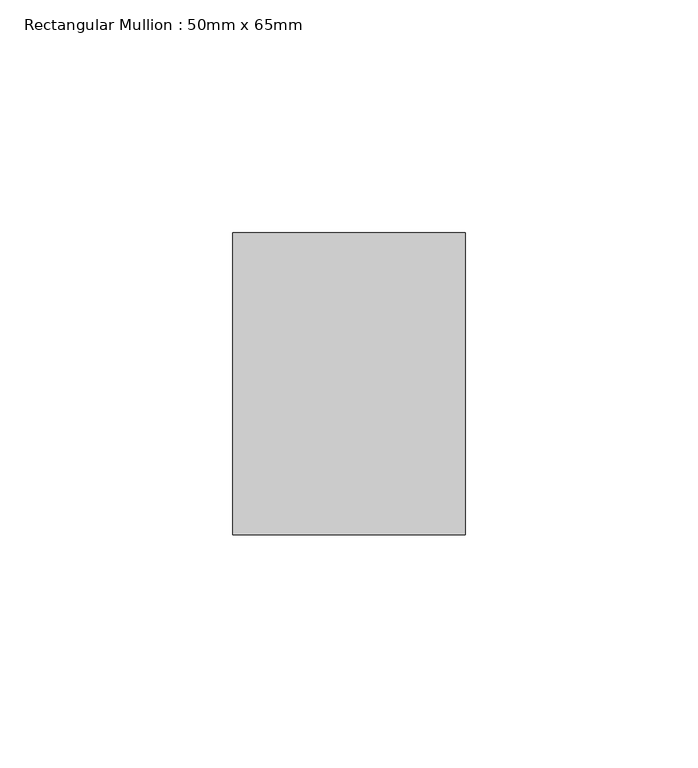
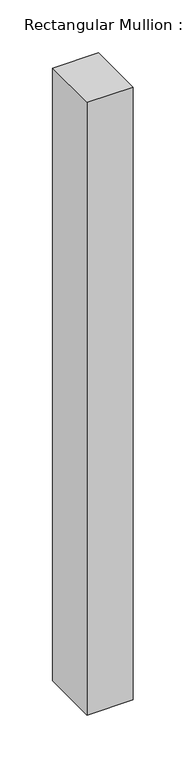
"""IFC4 building model written with IfcOpenShell, lengths in millimetres: member geometry, Rectangular Mullion : 50mm x 65mm."""

import ifcopenshell
import ifcopenshell.guid

model = None  # the IFC model being written
_history = None  # IfcOwnerHistory: only IFC2X3 demands one
_inside = {}  # id of a spatial element -> (the spatial element, [elements in it])
_under = {}  # id of a project, library or spatial element -> (it, [spatial elements below it])
_declared = {}  # id of a project -> (the project, [libraries it declares])
_typed = {}  # id of a type object -> (the type object, [elements of that type])
_made_of = {}  # id of a material, layer set ... -> (it, [elements and type objects made of it])


def new_model(schema):
    """Start an empty IFC model of exactly this schema.

    Asked for "IFC4X3", IfcOpenShell would pick the latest addendum, in which some entities
    have other attributes; the version numbers below select the first issue.
    IFC2X3 requires an IfcOwnerHistory on every rooted entity: one is made here for all.
    """
    global model, _history
    if schema == "IFC4X3":
        model = ifcopenshell.file(schema_version=(4, 3, 0, 0))
    else:
        model = ifcopenshell.file(schema=schema)
    _inside.clear()
    _under.clear()
    _declared.clear()
    _typed.clear()
    _made_of.clear()
    _history = None
    if model.schema == "IFC2X3":
        org = make("IfcOrganization", Name="unknown")
        user = make(
            "IfcPersonAndOrganization",
            ThePerson=make("IfcPerson", FamilyName="unknown"),
            TheOrganization=org,
        )
        app = make(
            "IfcApplication",
            ApplicationDeveloper=org,
            Version="unknown",
            ApplicationFullName="unknown",
            ApplicationIdentifier="unknown",
        )
        _history = make(
            "IfcOwnerHistory",
            OwningUser=user,
            OwningApplication=app,
            ChangeAction="ADDED",
            CreationDate=0,
        )
    return model


def make(cls, **values):
    """One entity of the class cls with the attributes given. An attribute that is None is left unset."""
    return model.create_entity(
        cls, **{name: value for name, value in values.items() if value is not None}
    )


def rooted(cls, **values):
    """An entity with a GlobalId (a new one), such as an element, a storey or a relation."""
    return make(cls, GlobalId=ifcopenshell.guid.new(), OwnerHistory=_history, **values)


def si_unit(unit_type, name, prefix=None):
    """IfcSIUnit, for example si_unit("LENGTHUNIT", "METRE", prefix="MILLI")."""
    return make("IfcSIUnit", UnitType=unit_type, Prefix=prefix, Name=name)


def assignment(units):
    """IfcUnitAssignment: the units of a project."""
    return None if units is None else make("IfcUnitAssignment", Units=units)


def point(xyz):
    """IfcCartesianPoint."""
    return None if xyz is None else make("IfcCartesianPoint", Coordinates=xyz)


def direction(xyz):
    """IfcDirection."""
    return None if xyz is None else make("IfcDirection", DirectionRatios=xyz)


def frame(location, z_axis=None, x_axis=None):
    """IfcAxis2Placement3D, a coordinate frame: its origin and axes. An axis left out is left unset."""
    return make(
        "IfcAxis2Placement3D",
        Location=point(location),
        Axis=direction(z_axis),
        RefDirection=direction(x_axis),
    )


def origin():
    """The frame at (0, 0, 0) with its axes left unset."""
    return frame((0.0, 0.0, 0.0))


def place(relative_to, where):
    """IfcLocalPlacement: puts the frame where relative to a parent placement (None: the world)."""
    return make(
        "IfcLocalPlacement", PlacementRelTo=relative_to, RelativePlacement=where
    )


def context(
    kind, dimensions, precision=None, world=None, true_north=None, identifier=None
):
    """IfcGeometricRepresentationContext, for example the 3D "Model" context."""
    return make(
        "IfcGeometricRepresentationContext",
        ContextIdentifier=identifier,
        ContextType=kind,
        CoordinateSpaceDimension=dimensions,
        Precision=precision,
        WorldCoordinateSystem=world,
        TrueNorth=true_north,
    )


def project(units=None, contexts=None):
    """IfcProject with its units and contexts."""
    return rooted(
        "IfcProject",
        Name="project",
        RepresentationContexts=contexts,
        UnitsInContext=assignment(units),
    )


def spatial(cls, under=None, at=None, **own):
    """A site, building, storey or space (cls), placed at a placement, below another one or the project."""
    s = rooted(cls, ObjectPlacement=at, **own)
    if under is not None:
        _under.setdefault(under.id(), (under, []))[1].append(s)
    return s


def polyline(points):
    """IfcPolyline through the points."""
    return make("IfcPolyline", Points=[point(p) for p in points])


def outline(outer, holes=None, kind="AREA"):
    """IfcArbitraryClosedProfileDef: a profile drawn as a closed curve; with holes, ...WithVoids."""
    if holes is None:
        return make("IfcArbitraryClosedProfileDef", ProfileType=kind, OuterCurve=outer)
    return make(
        "IfcArbitraryProfileDefWithVoids",
        ProfileType=kind,
        OuterCurve=outer,
        InnerCurves=holes,
    )


def extrude(swept, where, along, depth):
    """IfcExtrudedAreaSolid: the profile swept, set in the frame where, extruded along a direction by depth."""
    return make(
        "IfcExtrudedAreaSolid",
        SweptArea=swept,
        Position=where,
        ExtrudedDirection=direction(along),
        Depth=depth,
    )


def shape(context_of_items, identifier, shape_type, items):
    """IfcShapeRepresentation: the items that make up one representation, for example the "Body"."""
    return make(
        "IfcShapeRepresentation",
        ContextOfItems=context_of_items,
        RepresentationIdentifier=identifier,
        RepresentationType=shape_type,
        Items=items,
    )


def source(mapping_origin, context_of_items, identifier, shape_type, items):
    """IfcRepresentationMap: a shape defined once, which mapped items show again and again."""
    return make(
        "IfcRepresentationMap",
        MappingOrigin=mapping_origin,
        MappedRepresentation=shape(context_of_items, identifier, shape_type, items),
    )


def transform(
    local_origin,
    x_axis=None,
    y_axis=None,
    z_axis=None,
    scale=None,
    scale2=None,
    scale3=None,
    uniform=True,
):
    """IfcCartesianTransformationOperator3D, or its non-uniform kind. x_axis, y_axis, z_axis: its Axis1, 2, 3."""
    if uniform:
        return make(
            "IfcCartesianTransformationOperator3D",
            Axis1=direction(x_axis),
            Axis2=direction(y_axis),
            LocalOrigin=point(local_origin),
            Scale=scale,
            Axis3=direction(z_axis),
        )
    return make(
        "IfcCartesianTransformationOperator3DnonUniform",
        Axis1=direction(x_axis),
        Axis2=direction(y_axis),
        LocalOrigin=point(local_origin),
        Scale=scale,
        Axis3=direction(z_axis),
        Scale2=scale2,
        Scale3=scale3,
    )


def mapped(mapping_source, mapping_target):
    """IfcMappedItem: shows the shape of a source again, moved by a transform."""
    return make(
        "IfcMappedItem", MappingSource=mapping_source, MappingTarget=mapping_target
    )


def made_of(thing, what):
    """Note that an element or type object is made of a material, layer set ...; save() writes the relation."""
    if what is not None:
        _made_of.setdefault(what.id(), (what, []))[1].append(thing)
    return thing


def element(
    cls,
    number,
    at=None,
    inside=None,
    cuts=None,
    type_object=None,
    material=None,
    context=None,
    identifier="Body",
    shape_type=None,
    held_by="IfcProductDefinitionShape",
    body=None,
    shapes=None,
    **own,
):
    """One element of the class cls, such as IfcWall. Its Tag is "e" and its number.

    at: its placement. inside: the storey or other place that contains it. cuts: it is an
    opening in that element (IfcRelVoidsElement). A single representation is given by context,
    identifier, shape_type and body (its items); several are given by shapes. held_by: the class
    of the entity that holds the representations. save() writes the other relations.
    """
    e = rooted(cls, Tag="e%d" % number, ObjectPlacement=at, **own)
    if body is not None:
        shapes = [shape(context, identifier, shape_type, body)]
    if shapes is not None:
        e.Representation = make(held_by, Representations=shapes)
    if inside is not None:
        _inside.setdefault(inside.id(), (inside, []))[1].append(e)
    if cuts is not None:
        rooted(
            "IfcRelVoidsElement", RelatingBuildingElement=cuts, RelatedOpeningElement=e
        )
    if type_object is not None:
        _typed.setdefault(type_object.id(), (type_object, []))[1].append(e)
    return made_of(e, material)


def aggregate(whole, parts):
    """IfcRelAggregates: a whole, such as a stair, and the parts it consists of."""
    return rooted("IfcRelAggregates", RelatingObject=whole, RelatedObjects=parts)


def save(model, path):
    """Write the relations noted so far, then the file.

    IfcRelAggregates (storeys below a building ...), IfcRelContainedInSpatialStructure (elements
    in a storey), IfcRelDefinesByType, IfcRelAssociatesMaterial and IfcRelDeclares: one each for
    every whole, place, type object, material and project.
    """
    for whole, parts in _under.values():
        aggregate(whole, parts)
    for where, things in _inside.values():
        rooted(
            "IfcRelContainedInSpatialStructure",
            RelatedElements=things,
            RelatingStructure=where,
        )
    for kind, things in _typed.values():
        rooted("IfcRelDefinesByType", RelatedObjects=things, RelatingType=kind)
    for what, things in _made_of.values():
        rooted("IfcRelAssociatesMaterial", RelatedObjects=things, RelatingMaterial=what)
    for by, libraries in _declared.values():
        rooted("IfcRelDeclares", RelatingContext=by, RelatedDefinitions=libraries)
    model.write(path)


def rectangular_mullion_50mm_x_65mm_0db7bcba(model_context):
    return source(origin(), model_context, "Body", "SweptSolid", [
        extrude(outline(polyline([(25.0, 32.5), (25.0, -32.5), (-25.0, -32.5), (-25.0, 32.5), (25.0, 32.5)])), frame((0.0, 0.0, -705.7730033), z_axis=(0.0, 0.0, 1.0), x_axis=(1.0, 0.0, 0.0)), (0.0, 0.0, 1.0), 705.7730033),
    ])


if __name__ == "__main__":
    model = new_model("IFC4")
    model_context = context("Model", 3, world=origin())
    ifc_project = project(units=[si_unit("LENGTHUNIT", "METRE", prefix="MILLI")], contexts=[model_context])
    site = spatial("IfcSite", under=ifc_project)
    building = spatial("IfcBuilding", under=site)
    placement = place(None, origin())
    rectangular_mullion_50mm_x_65mm_shape = rectangular_mullion_50mm_x_65mm_0db7bcba(model_context)
    element("IfcMember", 1, ObjectType="Rectangular Mullion : 50mm x 65mm", at=placement, inside=building, context=model_context, shape_type="MappedRepresentation", body=[
        mapped(rectangular_mullion_50mm_x_65mm_shape, transform((0.0, 0.0, 0.0), x_axis=(1.0, 0.0, 0.0), y_axis=(0.0, 1.0, 0.0), z_axis=(0.0, 0.0, 1.0))),
    ])
    save(model, "model.ifc")
